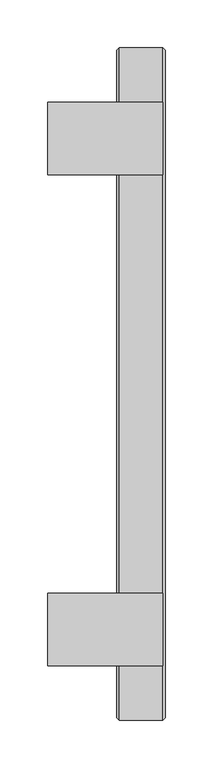
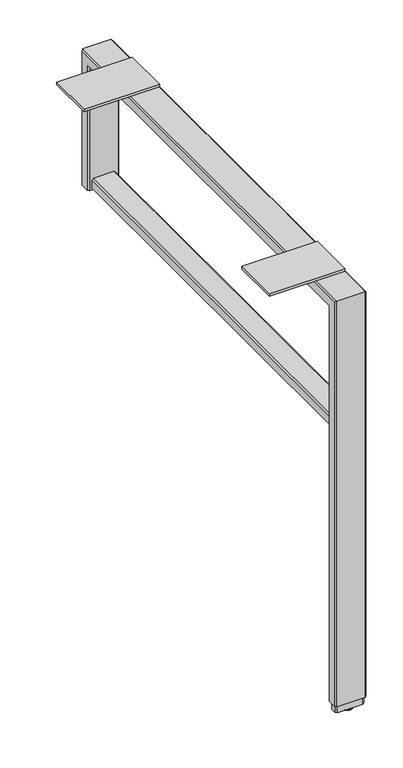
"""IFC4 building model written with IfcOpenShell, lengths in millimetres: furniture geometry."""

from ifc_helpers import new_model, si_unit, point, frame, origin, place, context, project, spatial, polyline, circle_curve, ellipse_curve, trimmed, outline, extrude, faceted_brep, source, transform, mapped, element, save
from ifc_brep_helpers import plane_surface, cylinder_surface, revolved_surface, advanced_brep


def furniture_e7cdcc68(model_context):
    return source(origin(), model_context, "Body", "SolidModel", [
        extrude(outline(polyline([(-713.738801, -323.9770123), (-713.738801, -400.1770123), (-834.388801, -400.1770123), (-834.388801, -323.9770123), (-713.738801, -323.9770123)])), frame((0.0, 0.0, 702.5386222), z_axis=(0.0, 0.0, 1.0), x_axis=(1.0, 0.0, 0.0)), (0.0, 0.0, 1.0), 4.3434),
        extrude(outline(polyline([(-713.738801, 190.6777877), (-713.738801, 114.4777877), (-834.388801, 114.4777877), (-834.388801, 190.6777877), (-713.738801, 190.6777877)])), frame((0.0, 0.0, 702.5386222), z_axis=(0.0, 0.0, 1.0), x_axis=(1.0, 0.0, 0.0)), (0.0, 0.0, 1.0), 4.3434),
        extrude(outline(polyline([(476.3769908, -755.6487993), (473.8369932, -753.1088017), (473.8369932, -720.0887986), (476.3769908, -717.548801), (490.3469956, -717.548801), (492.8869932, -720.0887986), (492.8869932, -753.1087989), (490.3469928, -755.6487993), (476.3769908, -755.6487993)])), frame((0.0, -438.2770123, 0.0), z_axis=(0.0, 1.0, 0.0), x_axis=(0.0, 0.0, 1.0)), (0.0, 0.0, 1.0), 667.0548),
        advanced_brep(
        [(-731.5193954, -447.8020123, 0.0), (-741.6793993, -447.8020123, 0.0), (-736.5993974, -447.8020123, 0.0), (-736.5993974, -447.8020123, 3.8100001), (-743.2220422, -447.8020123, 3.8100001), (-729.9767525, -447.8020123, 3.8100001), (-743.7113974, -447.8020123, 3.183654), (-729.4873973, -447.8020123, 3.183654), (-743.7113974, -447.8020123, 2.032), (-729.4873973, -447.8020123, 2.032)],
        [
            (0, 1, circle_curve(frame((-736.5993974, -447.8020123, 0.0), z_axis=(0.0, 0.0, -1.0), x_axis=(-1.0, 0.0, 0.0)), 5.080002)),
            (1, 2),
            (2, 0),
            (1, 0, circle_curve(frame((-736.5993974, -447.8020123, 0.0), z_axis=(0.0, 0.0, -1.0), x_axis=(-1.0, 0.0, 0.0)), 5.080002)),
            (3, 4),
            (4, 5, circle_curve(frame((-736.5993974, -447.8020123, 3.8100001), z_axis=(0.0, 0.0, 1.0), x_axis=(-1.0, 0.0, 0.0)), 6.6226448)),
            (5, 3),
            (5, 4, circle_curve(frame((-736.5993974, -447.8020123, 3.8100001), z_axis=(0.0, 0.0, 1.0), x_axis=(-1.0, 0.0, 0.0)), 6.6226448)),
            (4, 6),
            (6, 7, circle_curve(frame((-736.5993974, -447.8020123, 3.183654), z_axis=(0.0, 0.0, 1.0), x_axis=(-1.0, 0.0, 0.0)), 7.112)),
            (7, 5),
            (7, 6, circle_curve(frame((-736.5993974, -447.8020123, 3.183654), z_axis=(0.0, 0.0, 1.0), x_axis=(-1.0, 0.0, 0.0)), 7.112)),
            (6, 8),
            (8, 9, circle_curve(frame((-736.5993974, -447.8020123, 2.032), z_axis=(0.0, 0.0, 1.0), x_axis=(-1.0, 0.0, 0.0)), 7.112)),
            (9, 7),
            (9, 8, circle_curve(frame((-736.5993974, -447.8020123, 2.032), z_axis=(0.0, 0.0, 1.0), x_axis=(-1.0, 0.0, 0.0)), 7.112)),
            (8, 1, circle_curve(frame((-740.2425579, -447.8020123, 3.4688381), z_axis=(0.0, -1.0, 0.0), x_axis=(-1.0, 0.0, 0.0)), 3.7546439)),
            (0, 9, circle_curve(frame((-732.9562368, -447.8020123, 3.4688381), z_axis=(0.0, -1.0, 0.0), x_axis=(1.0, 0.0, 0.0)), 3.7546439)),
        ],
        [
            plane_surface(frame((-736.5993974, -447.8020123, 0.0), z_axis=(0.0, 0.0, -1.0), x_axis=(-1.0, 0.0, 0.0))),
            plane_surface(frame((-736.5993974, -447.8020123, 3.8100001), z_axis=(0.0, 0.0, 1.0), x_axis=(-1.0, 0.0, 0.0))),
            revolved_surface(polyline([(-743.7113974, -447.8020123, 3.183654), (-743.2220422, -447.8020123, 3.8100001)]), (-736.5993974, -447.8020123, -2.6032322), (0.0, 0.0, 1.0)),
            cylinder_surface(frame((-736.5993974, -447.8020123, -2.6032322), z_axis=(0.0, 0.0, 1.0), x_axis=(-1.0, 0.0, 0.0)), 7.112),
            revolved_surface(trimmed(ellipse_curve(frame((-740.2425579, -447.8020123, 3.4688381), z_axis=(0.0, 1.0, 0.0), x_axis=(-1.0, 0.0, 0.0)), 3.7546439, 3.7546439), [point((-741.6793993, -447.8020123, 0.0))], [point((-743.7113974, -447.8020123, 2.032))], True, "CARTESIAN"), (-736.5993974, -447.8020123, -2.6032322), (0.0, 0.0, 1.0)),
        ],
        [
            (0, [[1, 2, 3]]),
            (0, [[4, -3, -2]]),
            (1, [[5, 6, 7]]),
            (1, [[-7, 8, -5]]),
            (2, [[-6, 9, 10, 11]]),
            (2, [[-8, -11, 12, -9]]),
            (3, [[-10, 13, 14, 15]]),
            (3, [[-12, -15, 16, -13]]),
            (4, [[-14, 17, -1, 18]]),
            (4, [[-16, -18, -4, -17]]),
        ],
    ),
        extrude(outline(polyline([(-757.0458011, -440.6900191), (-716.1523987, -440.6900191), (-713.6118022, -443.2300166), (-713.6118022, -452.3740079), (-716.1523987, -454.9140055), (-757.0458011, -454.9140055), (-759.5858009, -452.3740079), (-759.5858009, -443.2300166), (-757.0458011, -440.6900191)])), frame((0.0, 0.0, 3.8100001), z_axis=(0.0, 0.0, 1.0), x_axis=(1.0, 0.0, 0.0)), (0.0, 0.0, 1.0), 12.6999999),
        faceted_brep([(-761.9994011, -454.7870147, 16.51), (-761.9994011, -440.8170098, 16.51), (-759.4594011, -438.2770123, 16.51), (-713.7394021, -438.2770123, 16.51), (-711.1994, -440.8170144, 16.51), (-711.1994, -454.7870102, 16.51), (-713.7394021, -457.3270123, 16.51), (-759.4594011, -457.3270123, 16.51), (-761.9994011, -454.7870147, 699.9986246), (-761.9994011, 245.2877902, 699.9986246), (-761.9994011, 245.2877902, 473.8369932), (-761.9994011, 231.3177853, 473.8369932), (-761.9994011, 231.3177853, 686.0286198), (-761.9994011, -440.8170098, 686.0286198), (-759.4594011, -438.2770123, 683.4886222), (-713.7394021, -438.2770123, 683.4886222), (-711.1994, -440.8170144, 686.0286243), (-711.1994, 231.3177898, 686.0286243), (-711.1994, 231.3177898, 473.8369932), (-711.1994, 245.2877856, 473.8369932), (-711.1994, 245.2877856, 699.9986201), (-711.1994, -454.7870102, 699.9986201), (-713.7394021, -457.3270123, 702.5386222), (-759.4594011, -457.3270123, 702.5386222), (-759.4594011, 228.7777877, 683.4886222), (-713.7394021, 228.7777877, 683.4886222), (-713.7394021, 247.8277877, 702.5386222), (-759.4594011, 247.8277877, 702.5386222), (-759.4594011, 228.7777877, 473.8369932), (-713.7394021, 228.7777877, 473.8369932), (-713.7394021, 247.8277877, 473.8369932), (-759.4594011, 247.8277877, 473.8369932)], [[[0, 1, 2, 3, 4, 5, 6, 7]], [[1, 0, 8, 9, 10, 11, 12, 13]], [[2, 1, 13, 14]], [[3, 2, 14, 15]], [[5, 4, 16, 17, 18, 19, 20, 21]], [[6, 5, 21, 22]], [[7, 6, 22, 23]], [[0, 7, 23, 8]], [[14, 13, 12, 24]], [[15, 14, 24, 25]], [[22, 21, 20, 26]], [[23, 22, 26, 27]], [[8, 23, 27, 9]], [[24, 12, 11, 28]], [[25, 24, 28, 29]], [[26, 20, 19, 30]], [[27, 26, 30, 31]], [[9, 27, 31, 10]], [[10, 31, 30, 19, 18, 29, 28, 11]], [[4, 3, 15, 16]], [[16, 15, 25, 17]], [[17, 25, 29, 18]]]),
    ])


if __name__ == "__main__":
    model = new_model("IFC4")
    model_context = context("Model", 3, world=origin())
    ifc_project = project(units=[si_unit("LENGTHUNIT", "METRE", prefix="MILLI")], contexts=[model_context])
    site = spatial("IfcSite", under=ifc_project)
    building = spatial("IfcBuilding", under=site)
    placement = place(None, origin())
    furniture_shape = furniture_e7cdcc68(model_context)
    element("IfcFurniture", 1, at=placement, inside=building, context=model_context, shape_type="MappedRepresentation", body=[
        mapped(furniture_shape, transform((0.0, 0.0, 0.0), x_axis=(1.0, 0.0, 0.0), y_axis=(0.0, 1.0, 0.0), z_axis=(0.0, 0.0, 1.0))),
    ])
    save(model, "model.ifc")
